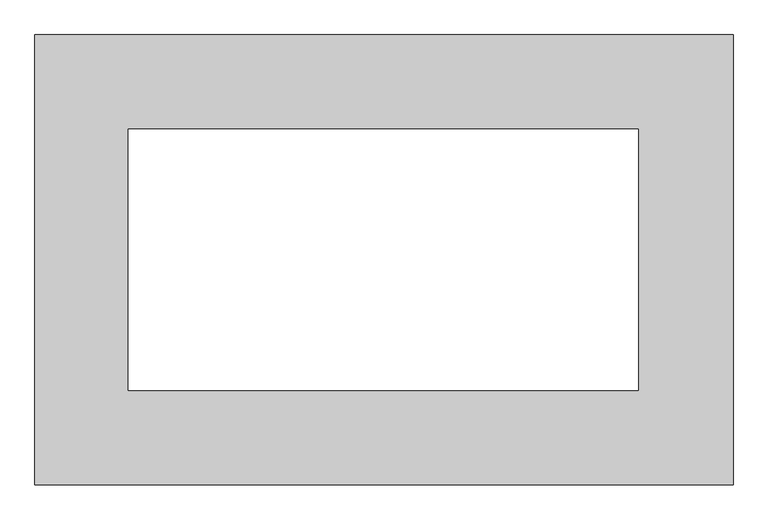
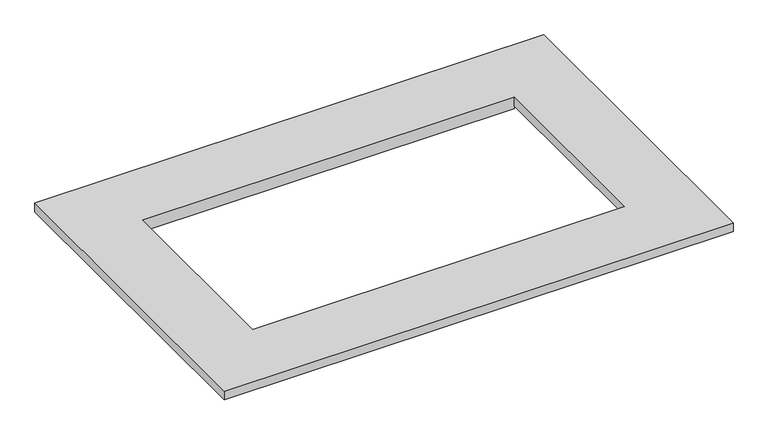
"""IFC4 building model written with IfcOpenShell, lengths in millimetres: proxy geometry."""

from ifc_helpers import new_model, si_unit, origin, place, context, project, spatial, faceted_brep, source, transform, mapped, element, save


def generic_models_899b5c84(model_context):
    return source(origin(), model_context, "Body", "Brep", [
        faceted_brep([(-687.7431, 443.484, 25.4), (-687.7431, -443.484, 25.4), (687.7431, -443.484, 25.4), (687.7431, 443.484, 25.4), (501.0531, 257.6322, 25.4), (501.0531, -257.6322, 25.4), (-503.5931, -257.6322, 25.4), (-503.5931, 257.6322, 25.4), (-687.7431, 443.484, 0.0), (687.7431, 443.484, 0.0), (687.7431, -443.484, 0.0), (-687.7431, -443.484, 0.0), (-503.5931, 257.6322, 0.0), (-503.5931, -257.6322, 0.0), (-503.5931, -258.6482, 0.0), (501.0531, -258.6482, 0.0), (501.0531, -257.6322, 0.0), (501.0531, 257.6322, 0.0), (501.0531, 258.6482, 0.0), (-503.5931, 258.6482, 0.0), (501.0531, -257.6322, -7.7978), (-503.5931, -257.6322, -7.7978), (-503.5931, 257.6322, -7.7978), (501.0531, 257.6322, -7.7978), (501.0531, 271.2466, -7.7978), (501.0531, 271.2466, -6.7818), (501.0531, 258.6482, -6.7818), (-503.5931, 258.6482, -6.7818), (-503.5931, 271.2466, -6.7818), (-503.5931, 271.2466, -7.7978), (501.0531, -258.6482, -6.7818), (501.0531, -271.2466, -6.7818), (501.0531, -271.2466, -7.7978), (-503.5931, -271.2466, -7.7978), (-503.5931, -271.2466, -6.7818), (-503.5931, -258.6482, -6.7818)], [[[0, 1, 2, 3], [4, 5, 6, 7]], [[8, 9, 10, 11], [12, 13, 14, 15, 16, 17, 18, 19]], [[1, 0, 8, 11]], [[2, 1, 11, 10]], [[3, 2, 10, 9]], [[0, 3, 9, 8]], [[5, 4, 17, 16]], [[6, 5, 16, 20, 21, 13]], [[7, 6, 13, 12]], [[4, 7, 12, 22, 23, 17]], [[23, 24, 25, 26, 18, 17]], [[27, 28, 29, 22, 12, 19]], [[26, 27, 19, 18]], [[26, 25, 28, 27]], [[25, 24, 29, 28]], [[24, 23, 22, 29]], [[30, 31, 32, 20, 16, 15]], [[21, 33, 34, 35, 14, 13]], [[35, 30, 15, 14]], [[31, 30, 35, 34]], [[32, 31, 34, 33]], [[20, 32, 33, 21]]]),
    ])


if __name__ == "__main__":
    model = new_model("IFC4")
    model_context = context("Model", 3, world=origin())
    ifc_project = project(units=[si_unit("LENGTHUNIT", "METRE", prefix="MILLI")], contexts=[model_context])
    site = spatial("IfcSite", under=ifc_project)
    building = spatial("IfcBuilding", under=site)
    placement = place(None, origin())
    generic_models_shape = generic_models_899b5c84(model_context)
    element("IfcBuildingElementProxy", 1, Name="Generic Models", at=placement, inside=building, context=model_context, shape_type="MappedRepresentation", body=[
        mapped(generic_models_shape, transform((0.0, 0.0, 0.0), x_axis=(1.0, 0.0, 0.0), y_axis=(0.0, 1.0, 0.0), z_axis=(0.0, 0.0, 1.0))),
    ])
    save(model, "model.ifc")
